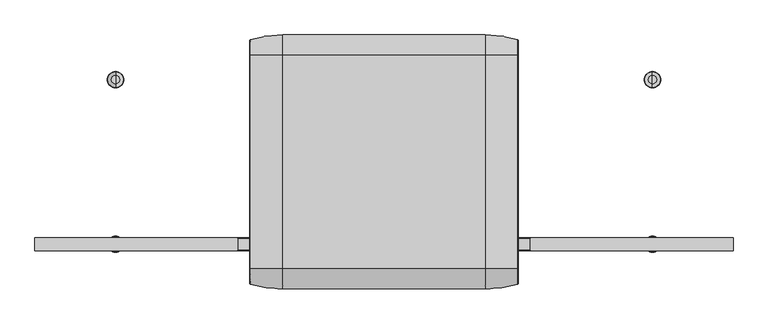
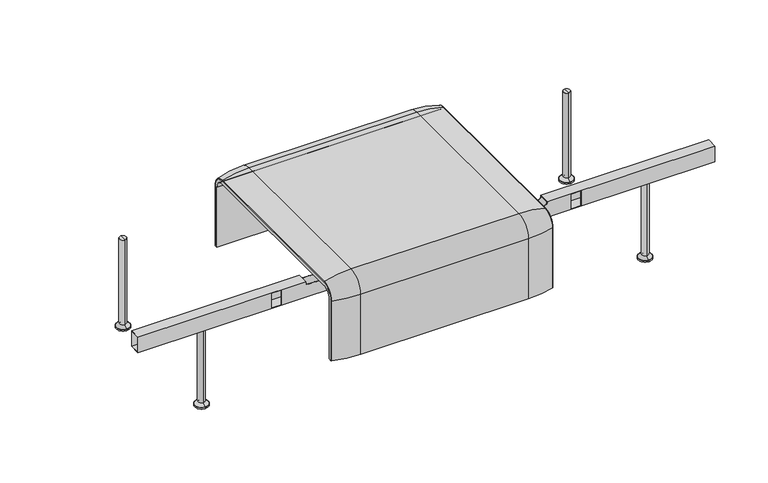
"""IFC4 building model written with IfcOpenShell, lengths in millimetres: furniture geometry."""

from ifc_helpers import new_model, si_unit, point, frame, origin, place, context, project, spatial, polyline, circle_curve, ellipse_curve, trimmed, source, transform, mapped, element, save
from ifc_brep_helpers import plane_surface, cylinder_surface, revolved_surface, advanced_brep


def furniture_3e78f5ab(model_context):
    return source(origin(), model_context, "Body", "AdvancedBrep", [
        advanced_brep(
        [(-407.9906244, -368.7793679, 100.5089435), (-407.9906244, -357.5, 100.5089435), (407.9906244, -357.5, 100.5089435), (407.9906244, -368.7793679, 100.5089435), (405.8519959, -371.6530483, 100.5089435), (307.9906244, -386.0043559, 100.5089435), (-307.9906244, -386.0043559, 100.5089435), (-405.8519959, -371.6530483, 100.5089435), (-407.9906244, 368.7793679, 100.5089435), (-405.8519959, 371.6530483, 100.5089435), (-307.9906244, 386.0043559, 100.5089435), (307.9906244, 386.0043559, 100.5089435), (405.8519959, 371.6530483, 100.5089435), (407.9906244, 368.7793679, 100.5089435), (407.9906244, 357.5, 100.5089435), (-407.9906244, 357.5, 100.5089435), (-407.9906244, -368.7793679, 333.0583003), (-407.9906244, -324.3858663, 377.4518019), (-407.9906244, 324.3858663, 377.4518019), (-407.9906244, 368.7793679, 333.0583003), (-407.9906244, 357.5, 333.0583003), (-407.9906244, 324.3858663, 366.172434), (-407.9906244, -324.3858663, 366.172434), (-407.9906244, -357.5, 333.0583003), (407.9906244, -357.5, 333.0583003), (307.9906244, -386.0043559, 333.0583003), (-307.9906244, -386.0043559, 333.0583003), (-405.8519959, -371.6530483, 333.0583003), (407.9906244, -324.3858663, 366.172434), (-307.9906244, -324.3858663, 394.67679), (307.9906244, -324.3858663, 394.67679), (-405.8519959, -324.3858663, 380.3254823), (407.9906244, 324.3858663, 366.172434), (307.9906244, 324.3858663, 394.67679), (-307.9906244, 324.3858663, 394.67679), (-405.8519959, 324.3858663, 380.3254823), (407.9906244, 357.5, 333.0583003), (-307.9906244, 386.0043559, 333.0583003), (307.9906244, 386.0043559, 333.0583003), (-405.8519959, 371.6530483, 333.0583003), (407.9906244, 368.7793679, 333.0583003), (407.9906244, 324.3858663, 377.4518019), (407.9906244, -324.3858663, 377.4518019), (407.9906244, -368.7793679, 333.0583003), (405.8519959, -371.6530483, 333.0583003), (405.8519959, -324.3858663, 380.3254823), (405.8519959, 324.3858663, 380.3254823), (405.8519959, 371.6530483, 333.0583003)],
        [
            (0, 1),
            (1, 2),
            (2, 3),
            (3, 4, circle_curve(frame((404.9906244, -368.7793679, 100.5089435), z_axis=(0.0, 0.0, -1.0), x_axis=(-1.0, 0.0, 0.0)), 3.0)),
            (4, 5, circle_curve(frame((307.9906244, -45.1710226, 100.5089435), z_axis=(0.0, 0.0, -1.0), x_axis=(0.0, 1.0, 0.0)), 340.8333333)),
            (5, 6),
            (6, 7, circle_curve(frame((-307.9906244, -45.1710226, 100.5089435), z_axis=(0.0, 0.0, -1.0), x_axis=(0.0, 1.0, 0.0)), 340.8333333)),
            (7, 0, circle_curve(frame((-404.9906244, -368.7793679, 100.5089435), z_axis=(0.0, 0.0, -1.0), x_axis=(1.0, 0.0, 0.0)), 3.0)),
            (8, 9, circle_curve(frame((-404.9906244, 368.7793679, 100.5089435), z_axis=(0.0, 0.0, -1.0), x_axis=(1.0, 0.0, 0.0)), 3.0)),
            (9, 10, circle_curve(frame((-307.9906244, 45.1710226, 100.5089435), z_axis=(0.0, 0.0, -1.0), x_axis=(0.0, -1.0, 0.0)), 340.8333333)),
            (10, 11),
            (11, 12, circle_curve(frame((307.9906244, 45.1710226, 100.5089435), z_axis=(0.0, 0.0, -1.0), x_axis=(0.0, -1.0, 0.0)), 340.8333333)),
            (12, 13, circle_curve(frame((404.9906244, 368.7793679, 100.5089435), z_axis=(0.0, 0.0, -1.0), x_axis=(-1.0, 0.0, 0.0)), 3.0)),
            (13, 14),
            (14, 15),
            (15, 8),
            (0, 16),
            (16, 17, circle_curve(frame((-407.9906244, -324.3858663, 333.0583003), z_axis=(-1.0, 0.0, 0.0), x_axis=(0.0, -1.0, 0.0)), 44.3935016)),
            (17, 18),
            (18, 19, circle_curve(frame((-407.9906244, 324.3858663, 333.0583003), z_axis=(-1.0, 0.0, 0.0), x_axis=(0.0, 0.0, 1.0)), 44.3935016)),
            (19, 8),
            (15, 20),
            (20, 21, circle_curve(frame((-407.9906244, 324.3858663, 333.0583003), z_axis=(1.0, 0.0, 0.0), x_axis=(0.0, 0.0, 1.0)), 33.1141337)),
            (21, 22),
            (22, 23, circle_curve(frame((-407.9906244, -324.3858663, 333.0583003), z_axis=(1.0, 0.0, 0.0), x_axis=(0.0, -1.0, 0.0)), 33.1141337)),
            (23, 1),
            (23, 24),
            (24, 2),
            (5, 25),
            (25, 26),
            (26, 6),
            (26, 27, circle_curve(frame((-307.9906244, -45.1710226, 333.0583003), z_axis=(0.0, 0.0, -1.0), x_axis=(0.0, 1.0, 0.0)), 340.8333333)),
            (27, 7),
            (27, 16, circle_curve(frame((-404.9906244, -368.7793679, 333.0583003), z_axis=(0.0, 0.0, -1.0), x_axis=(1.0, 0.0, 0.0)), 3.0)),
            (28, 24, circle_curve(frame((407.9906244, -324.3858663, 333.0583003), z_axis=(1.0, 0.0, 0.0), x_axis=(0.0, -1.0, 0.0)), 33.1141337)),
            (22, 28),
            (29, 26, circle_curve(frame((-307.9906244, -324.3858663, 333.0583003), z_axis=(1.0, 0.0, 0.0), x_axis=(0.0, -1.0, 0.0)), 61.6184897)),
            (25, 30, circle_curve(frame((307.9906244, -324.3858663, 333.0583003), z_axis=(-1.0, 0.0, 0.0), x_axis=(0.0, -1.0, 0.0)), 61.6184897)),
            (30, 29),
            (31, 27, circle_curve(frame((-405.8519959, -324.3858663, 333.0583003), z_axis=(1.0, 0.0, 0.0), x_axis=(0.0, -1.0, 0.0)), 47.267182)),
            (29, 31, circle_curve(frame((-307.9906244, -324.3858663, 53.8434566), z_axis=(0.0, -1.0, 0.0), x_axis=(0.0, 0.0, -1.0)), 340.8333333)),
            (31, 17, circle_curve(frame((-404.9906244, -324.3858663, 377.4518019), z_axis=(0.0, -1.0, 0.0), x_axis=(1.0, 0.0, 0.0)), 3.0)),
            (21, 32),
            (32, 28),
            (30, 33),
            (33, 34),
            (34, 29),
            (34, 35, circle_curve(frame((-307.9906244, 324.3858663, 53.8434566), z_axis=(0.0, -1.0, 0.0), x_axis=(0.0, 0.0, -1.0)), 340.8333333)),
            (35, 31),
            (35, 18, circle_curve(frame((-404.9906244, 324.3858663, 377.4518019), z_axis=(0.0, -1.0, 0.0), x_axis=(1.0, 0.0, 0.0)), 3.0)),
            (36, 32, circle_curve(frame((407.9906244, 324.3858663, 333.0583003), z_axis=(1.0, 0.0, 0.0), x_axis=(0.0, 0.0, 1.0)), 33.1141337)),
            (20, 36),
            (37, 34, circle_curve(frame((-307.9906244, 324.3858663, 333.0583003), z_axis=(1.0, 0.0, 0.0), x_axis=(0.0, 0.0, 1.0)), 61.6184897)),
            (33, 38, circle_curve(frame((307.9906244, 324.3858663, 333.0583003), z_axis=(-1.0, 0.0, 0.0), x_axis=(0.0, 0.0, 1.0)), 61.6184897)),
            (38, 37),
            (39, 35, circle_curve(frame((-405.8519959, 324.3858663, 333.0583003), z_axis=(1.0, 0.0, 0.0), x_axis=(0.0, 0.0, 1.0)), 47.267182)),
            (37, 39, circle_curve(frame((-307.9906244, 45.1710226, 333.0583003), z_axis=(0.0, 0.0, 1.0), x_axis=(0.0, -1.0, 0.0)), 340.8333333)),
            (39, 19, circle_curve(frame((-404.9906244, 368.7793679, 333.0583003), z_axis=(0.0, 0.0, 1.0), x_axis=(1.0, 0.0, 0.0)), 3.0)),
            (14, 36),
            (38, 11),
            (10, 37),
            (9, 39),
            (13, 40),
            (40, 41, circle_curve(frame((407.9906244, 324.3858663, 333.0583003), z_axis=(1.0, 0.0, 0.0), x_axis=(0.0, 0.0, 1.0)), 44.3935016)),
            (41, 42),
            (42, 43, circle_curve(frame((407.9906244, -324.3858663, 333.0583003), z_axis=(1.0, 0.0, 0.0), x_axis=(0.0, -1.0, 0.0)), 44.3935016)),
            (43, 3),
            (43, 44, circle_curve(frame((404.9906244, -368.7793679, 333.0583003), z_axis=(0.0, 0.0, -1.0), x_axis=(-1.0, 0.0, 0.0)), 3.0)),
            (44, 4),
            (44, 25, circle_curve(frame((307.9906244, -45.1710226, 333.0583003), z_axis=(0.0, 0.0, -1.0), x_axis=(0.0, 1.0, 0.0)), 340.8333333)),
            (45, 44, circle_curve(frame((405.8519959, -324.3858663, 333.0583003), z_axis=(1.0, 0.0, 0.0), x_axis=(0.0, -1.0, 0.0)), 47.267182)),
            (42, 45, circle_curve(frame((404.9906244, -324.3858663, 377.4518019), z_axis=(0.0, -1.0, 0.0), x_axis=(-1.0, 0.0, 0.0)), 3.0)),
            (45, 30, circle_curve(frame((307.9906244, -324.3858663, 53.8434566), z_axis=(0.0, -1.0, 0.0), x_axis=(0.0, 0.0, -1.0)), 340.8333333)),
            (41, 46, circle_curve(frame((404.9906244, 324.3858663, 377.4518019), z_axis=(0.0, -1.0, 0.0), x_axis=(-1.0, 0.0, 0.0)), 3.0)),
            (46, 45),
            (46, 33, circle_curve(frame((307.9906244, 324.3858663, 53.8434566), z_axis=(0.0, -1.0, 0.0), x_axis=(0.0, 0.0, -1.0)), 340.8333333)),
            (47, 46, circle_curve(frame((405.8519959, 324.3858663, 333.0583003), z_axis=(1.0, 0.0, 0.0), x_axis=(0.0, 0.0, 1.0)), 47.267182)),
            (40, 47, circle_curve(frame((404.9906244, 368.7793679, 333.0583003), z_axis=(0.0, 0.0, 1.0), x_axis=(-1.0, 0.0, 0.0)), 3.0)),
            (47, 38, circle_curve(frame((307.9906244, 45.1710226, 333.0583003), z_axis=(0.0, 0.0, 1.0), x_axis=(0.0, -1.0, 0.0)), 340.8333333)),
            (12, 47),
        ],
        [
            plane_surface(frame((-407.9906244, -357.5, 100.5089435), z_axis=(0.0, 0.0, -1.0), x_axis=(1.0, 0.0, 0.0))),
            plane_surface(frame((-407.9906244, 357.5, 100.5089435), z_axis=(0.0, 0.0, -1.0), x_axis=(1.0, 0.0, 0.0))),
            plane_surface(frame((-407.9906244, -368.7793679, 100.5089435), z_axis=(-1.0, 0.0, 0.0), x_axis=(0.0, 0.0, 1.0))),
            plane_surface(frame((-407.9906244, -357.5, 100.5089435), z_axis=(0.0, 1.0, 0.0), x_axis=(0.0, 0.0, 1.0))),
            plane_surface(frame((307.9906244, -386.0043559, 100.5089435), z_axis=(0.0, -1.0, 0.0), x_axis=(0.0, 0.0, 1.0))),
            cylinder_surface(frame((-307.9906244, -45.1710226, 100.5089435), z_axis=(0.0, 0.0, -1.0), x_axis=(0.0, 1.0, 0.0)), 340.8333333),
            cylinder_surface(frame((-404.9906244, -368.7793679, 100.5089435), z_axis=(0.0, 0.0, -1.0), x_axis=(1.0, 0.0, 0.0)), 3.0),
            revolved_surface(polyline([(-407.9906244, -357.5, 333.0583003), (407.9906244, -357.5, 333.0583003)]), (-407.9906244, -324.3858663, 333.0583003), (-1.0, 0.0, 0.0)),
            cylinder_surface(frame((-407.9906244, -324.3858663, 333.0583003), z_axis=(-1.0, 0.0, 0.0), x_axis=(0.0, -1.0, 0.0)), 61.6184897),
            revolved_surface(trimmed(ellipse_curve(frame((-307.9906244, -45.1710226, 333.0583003), z_axis=(0.0, 0.0, -1.0), x_axis=(0.0, 1.0, 0.0)), 340.8333333, 340.8333333), [point((-307.9906244, -386.0043559, 333.0583003))], [point((-405.8519959, -371.6530483, 333.0583003))], True, "CARTESIAN"), (-407.9906244, -324.3858663, 333.0583003), (-1.0, 0.0, 0.0)),
            revolved_surface(trimmed(ellipse_curve(frame((-404.9906244, -368.7793679, 333.0583003), z_axis=(0.0, 0.0, -1.0), x_axis=(1.0, 0.0, 0.0)), 3.0, 3.0), [point((-405.8519959, -371.6530483, 333.0583003))], [point((-407.9906244, -368.7793679, 333.0583003))], True, "CARTESIAN"), (-407.9906244, -324.3858663, 333.0583003), (-1.0, 0.0, 0.0)),
            plane_surface(frame((-407.9906244, -324.3858663, 366.172434), z_axis=(0.0, 0.0, -1.0), x_axis=(0.0, 1.0, 0.0))),
            plane_surface(frame((307.9906244, -324.3858663, 394.67679), z_axis=(0.0, 0.0, 1.0), x_axis=(0.0, 1.0, 0.0))),
            cylinder_surface(frame((-307.9906244, -324.3858663, 53.8434566), z_axis=(0.0, -1.0, 0.0), x_axis=(0.0, 0.0, -1.0)), 340.8333333),
            cylinder_surface(frame((-404.9906244, -324.3858663, 377.4518019), z_axis=(0.0, -1.0, 0.0), x_axis=(1.0, 0.0, 0.0)), 3.0),
            revolved_surface(polyline([(-407.9906244, 324.3858663, 366.17243399999995), (407.9906244, 324.3858663, 366.17243399999995)]), (-407.9906244, 324.3858663, 333.0583003), (-1.0, 0.0, 0.0)),
            cylinder_surface(frame((-407.9906244, 324.3858663, 333.0583003), z_axis=(-1.0, 0.0, 0.0), x_axis=(0.0, 0.0, 1.0)), 61.6184897),
            revolved_surface(trimmed(ellipse_curve(frame((-307.9906244, 324.3858663, 53.8434566), z_axis=(0.0, -1.0, 0.0), x_axis=(0.0, 0.0, -1.0)), 340.8333333, 340.8333333), [point((-307.9906244, 324.3858663, 394.67679))], [point((-405.8519959, 324.3858663, 380.3254823))], True, "CARTESIAN"), (-407.9906244, 324.3858663, 333.0583003), (-1.0, 0.0, 0.0)),
            revolved_surface(trimmed(ellipse_curve(frame((-404.9906244, 324.3858663, 377.4518019), z_axis=(0.0, -1.0, 0.0), x_axis=(1.0, 0.0, 0.0)), 3.0, 3.0), [point((-405.8519959, 324.3858663, 380.3254823))], [point((-407.9906244, 324.3858663, 377.4518019))], True, "CARTESIAN"), (-407.9906244, 324.3858663, 333.0583003), (-1.0, 0.0, 0.0)),
            plane_surface(frame((-407.9906244, 357.5, 333.0583003), z_axis=(0.0, -1.0, 0.0), x_axis=(0.0, 0.0, -1.0))),
            plane_surface(frame((307.9906244, 386.0043559, 333.0583003), z_axis=(0.0, 1.0, 0.0), x_axis=(0.0, 0.0, -1.0))),
            cylinder_surface(frame((-307.9906244, 45.1710226, 333.0583003), z_axis=(0.0, 0.0, 1.0), x_axis=(0.0, -1.0, 0.0)), 340.8333333),
            cylinder_surface(frame((-404.9906244, 368.7793679, 333.0583003), z_axis=(0.0, 0.0, 1.0), x_axis=(1.0, 0.0, 0.0)), 3.0),
            plane_surface(frame((407.9906244, -357.5, 100.5089435), z_axis=(1.0, 0.0, 0.0), x_axis=(0.0, 0.0, 1.0))),
            cylinder_surface(frame((404.9906244, -368.7793679, 100.5089435), z_axis=(0.0, 0.0, -1.0), x_axis=(-1.0, 0.0, 0.0)), 3.0),
            cylinder_surface(frame((307.9906244, -45.1710226, 100.5089435), z_axis=(0.0, 0.0, -1.0), x_axis=(0.0, 1.0, 0.0)), 340.8333333),
            revolved_surface(trimmed(ellipse_curve(frame((404.9906244, -368.7793679, 333.0583003), z_axis=(0.0, 0.0, -1.0), x_axis=(-1.0, 0.0, 0.0)), 3.0, 3.0), [point((407.9906244, -368.7793679, 333.0583003))], [point((405.8519959, -371.6530483, 333.0583003))], True, "CARTESIAN"), (-407.9906244, -324.3858663, 333.0583003), (-1.0, 0.0, 0.0)),
            revolved_surface(trimmed(ellipse_curve(frame((307.9906244, -45.1710226, 333.0583003), z_axis=(0.0, 0.0, -1.0), x_axis=(0.0, 1.0, 0.0)), 340.8333333, 340.8333333), [point((405.8519959, -371.6530483, 333.0583003))], [point((307.9906244, -386.0043559, 333.0583003))], True, "CARTESIAN"), (-407.9906244, -324.3858663, 333.0583003), (-1.0, 0.0, 0.0)),
            cylinder_surface(frame((404.9906244, -324.3858663, 377.4518019), z_axis=(0.0, -1.0, 0.0), x_axis=(-1.0, 0.0, 0.0)), 3.0),
            cylinder_surface(frame((307.9906244, -324.3858663, 53.8434566), z_axis=(0.0, -1.0, 0.0), x_axis=(0.0, 0.0, -1.0)), 340.8333333),
            revolved_surface(trimmed(ellipse_curve(frame((404.9906244, 324.3858663, 377.4518019), z_axis=(0.0, -1.0, 0.0), x_axis=(-1.0, 0.0, 0.0)), 3.0, 3.0), [point((407.9906244, 324.3858663, 377.4518019))], [point((405.8519959, 324.3858663, 380.3254823))], True, "CARTESIAN"), (-407.9906244, 324.3858663, 333.0583003), (-1.0, 0.0, 0.0)),
            revolved_surface(trimmed(ellipse_curve(frame((307.9906244, 324.3858663, 53.8434566), z_axis=(0.0, -1.0, 0.0), x_axis=(0.0, 0.0, -1.0)), 340.8333333, 340.8333333), [point((405.8519959, 324.3858663, 380.3254823))], [point((307.9906244, 324.3858663, 394.67679))], True, "CARTESIAN"), (-407.9906244, 324.3858663, 333.0583003), (-1.0, 0.0, 0.0)),
            cylinder_surface(frame((404.9906244, 368.7793679, 333.0583003), z_axis=(0.0, 0.0, 1.0), x_axis=(-1.0, 0.0, 0.0)), 3.0),
            cylinder_surface(frame((307.9906244, 45.1710226, 333.0583003), z_axis=(0.0, 0.0, 1.0), x_axis=(0.0, -1.0, 0.0)), 340.8333333),
        ],
        [
            (0, [[1, 2, 3, 4, 5, 6, 7, 8]]),
            (1, [[9, 10, 11, 12, 13, 14, 15, 16]]),
            (2, [[-1, 17, 18, 19, 20, 21, -16, 22, 23, 24, 25, 26]]),
            (3, [[-2, -26, 27, 28]]),
            (4, [[-6, 29, 30, 31]]),
            (5, [[-7, -31, 32, 33]]),
            (6, [[-8, -33, 34, -17]]),
            (7, [[35, -27, -25, 36]]),
            (8, [[37, -30, 38, 39]]),
            (9, [[40, -32, -37, 41]]),
            (10, [[-18, -34, -40, 42]]),
            (11, [[-36, -24, 43, 44]]),
            (12, [[-39, 45, 46, 47]]),
            (13, [[-41, -47, 48, 49]]),
            (14, [[-42, -49, 50, -19]]),
            (15, [[51, -43, -23, 52]]),
            (16, [[53, -46, 54, 55]]),
            (17, [[56, -48, -53, 57]]),
            (18, [[-20, -50, -56, 58]]),
            (19, [[-52, -22, -15, 59]]),
            (20, [[-55, 60, -11, 61]]),
            (21, [[-57, -61, -10, 62]]),
            (22, [[-58, -62, -9, -21]]),
            (23, [[-3, -28, -35, -44, -51, -59, -14, 63, 64, 65, 66, 67]]),
            (24, [[-4, -67, 68, 69]]),
            (25, [[-5, -69, 70, -29]]),
            (26, [[71, -68, -66, 72]]),
            (27, [[-38, -70, -71, 73]]),
            (28, [[-72, -65, 74, 75]]),
            (29, [[-73, -75, 76, -45]]),
            (30, [[77, -74, -64, 78]]),
            (31, [[-54, -76, -77, 79]]),
            (32, [[-78, -63, -13, 80]]),
            (33, [[-79, -80, -12, -60]]),
        ],
    ),
        advanced_brep(
        [(815.9812488, -250.0000031, 0.0), (815.9812488, -225.0000031, 0.0), (815.9812488, -275.0000031, 0.0), (815.9812488, -262.4715672, 344.8637637), (815.9812488, -237.5284391, 344.8637637), (815.9812488, -250.0000031, 344.8637637), (815.9812488, -262.4715672, 16.2604994), (815.9812488, -237.5284391, 16.2604994), (815.9812488, -273.2294713, 5.5025953), (815.9812488, -226.770535, 5.5025953), (815.9812488, -275.0000031, 5.5025953), (815.9812488, -225.0000031, 5.5025953)],
        [
            (0, 1),
            (1, 2, circle_curve(frame((815.9812488, -250.0000031, 0.0), z_axis=(0.0, 0.0, -1.0), x_axis=(0.0, 1.0, 0.0)), 25.0)),
            (2, 0),
            (2, 1, circle_curve(frame((815.9812488, -250.0000031, 0.0), z_axis=(0.0, 0.0, -1.0), x_axis=(0.0, 1.0, 0.0)), 25.0)),
            (3, 4, circle_curve(frame((815.9812488, -250.0000031, 344.8637637), z_axis=(0.0, 0.0, 1.0), x_axis=(0.0, 1.0, 0.0)), 12.471564)),
            (4, 5),
            (5, 3),
            (4, 3, circle_curve(frame((815.9812488, -250.0000031, 344.8637637), z_axis=(0.0, 0.0, 1.0), x_axis=(0.0, 1.0, 0.0)), 12.471564)),
            (6, 7, circle_curve(frame((815.9812488, -250.0000031, 16.2604994), z_axis=(0.0, 0.0, 1.0), x_axis=(0.0, 1.0, 0.0)), 12.471564)),
            (7, 4),
            (3, 6),
            (7, 6, circle_curve(frame((815.9812488, -250.0000031, 16.2604994), z_axis=(0.0, 0.0, 1.0), x_axis=(0.0, 1.0, 0.0)), 12.471564)),
            (8, 9, circle_curve(frame((815.9812488, -250.0000031, 5.5025953), z_axis=(0.0, 0.0, 1.0), x_axis=(0.0, 1.0, 0.0)), 23.2294681)),
            (9, 7, circle_curve(frame((815.9812488, -226.770535, 16.2604994), z_axis=(-1.0, 0.0, 0.0), x_axis=(0.0, 1.0, 0.0)), 10.7579041)),
            (6, 8, circle_curve(frame((815.9812488, -273.2294713, 16.2604994), z_axis=(-1.0, 0.0, 0.0), x_axis=(0.0, -1.0, 0.0)), 10.7579041)),
            (9, 8, circle_curve(frame((815.9812488, -250.0000031, 5.5025953), z_axis=(0.0, 0.0, 1.0), x_axis=(0.0, 1.0, 0.0)), 23.2294681)),
            (10, 11, circle_curve(frame((815.9812488, -250.0000031, 5.5025953), z_axis=(0.0, 0.0, 1.0), x_axis=(0.0, 1.0, 0.0)), 25.0)),
            (11, 9),
            (8, 10),
            (11, 10, circle_curve(frame((815.9812488, -250.0000031, 5.5025953), z_axis=(0.0, 0.0, 1.0), x_axis=(0.0, 1.0, 0.0)), 25.0)),
            (1, 11),
            (10, 2),
        ],
        [
            plane_surface(frame((815.9812488, -250.0000031, 0.0), z_axis=(0.0, 0.0, -1.0), x_axis=(0.0, 1.0, 0.0))),
            plane_surface(frame((815.9812488, -250.0000031, 344.8637637), z_axis=(0.0, 0.0, 1.0), x_axis=(0.0, 1.0, 0.0))),
            cylinder_surface(frame((815.9812488, -250.0000031, 344.8637637), z_axis=(0.0, 0.0, -1.0), x_axis=(0.0, 1.0, 0.0)), 12.471564),
            revolved_surface(trimmed(ellipse_curve(frame((815.9812488, -226.770535, 16.2604994), z_axis=(1.0, 0.0, 0.0), x_axis=(0.0, 1.0, 0.0)), 10.7579041, 10.7579041), [point((815.9812488, -237.5284391, 16.2604994))], [point((815.9812488, -226.770535, 5.5025953))], True, "CARTESIAN"), (815.9812488, -250.0000031, 344.8637637), (0.0, 0.0, -1.0)),
            plane_surface(frame((815.9812488, -250.0000031, 5.5025953), z_axis=(0.0, 0.0, 1.0), x_axis=(0.0, 1.0, 0.0))),
            cylinder_surface(frame((815.9812488, -250.0000031, 344.8637637), z_axis=(0.0, 0.0, -1.0), x_axis=(0.0, 1.0, 0.0)), 25.0),
        ],
        [
            (0, [[1, 2, 3]]),
            (0, [[-3, 4, -1]]),
            (1, [[5, 6, 7]]),
            (1, [[8, -7, -6]]),
            (2, [[9, 10, -5, 11]]),
            (2, [[12, -11, -8, -10]]),
            (3, [[13, 14, -9, 15]]),
            (3, [[16, -15, -12, -14]]),
            (4, [[17, 18, -13, 19]]),
            (4, [[20, -19, -16, -18]]),
            (5, [[-2, 21, -17, 22]]),
            (5, [[-4, -22, -20, -21]]),
        ],
    ),
        advanced_brep(
        [(815.9812488, 275.0000031, 0.0), (815.9812488, 225.0000031, 0.0), (815.9812488, 250.0000031, 0.0), (815.9812488, 250.0000031, 344.8637637), (815.9812488, 237.5284391, 344.8637637), (815.9812488, 262.4715672, 344.8637637), (815.9812488, 237.5284391, 16.2604994), (815.9812488, 262.4715672, 16.2604994), (815.9812488, 226.770535, 5.5025953), (815.9812488, 273.2294713, 5.5025953), (815.9812488, 225.0000031, 5.5025953), (815.9812488, 275.0000031, 5.5025953)],
        [
            (0, 1, circle_curve(frame((815.9812488, 250.0000031, 0.0), z_axis=(0.0, 0.0, -1.0), x_axis=(0.0, -1.0, 0.0)), 25.0)),
            (1, 2),
            (2, 0),
            (1, 0, circle_curve(frame((815.9812488, 250.0000031, 0.0), z_axis=(0.0, 0.0, -1.0), x_axis=(0.0, -1.0, 0.0)), 25.0)),
            (3, 4),
            (4, 5, circle_curve(frame((815.9812488, 250.0000031, 344.8637637), z_axis=(0.0, 0.0, 1.0), x_axis=(0.0, -1.0, 0.0)), 12.471564)),
            (5, 3),
            (5, 4, circle_curve(frame((815.9812488, 250.0000031, 344.8637637), z_axis=(0.0, 0.0, 1.0), x_axis=(0.0, -1.0, 0.0)), 12.471564)),
            (4, 6),
            (6, 7, circle_curve(frame((815.9812488, 250.0000031, 16.2604994), z_axis=(0.0, 0.0, 1.0), x_axis=(0.0, -1.0, 0.0)), 12.471564)),
            (7, 5),
            (7, 6, circle_curve(frame((815.9812488, 250.0000031, 16.2604994), z_axis=(0.0, 0.0, 1.0), x_axis=(0.0, -1.0, 0.0)), 12.471564)),
            (6, 8, circle_curve(frame((815.9812488, 226.770535, 16.2604994), z_axis=(-1.0, 0.0, 0.0), x_axis=(0.0, -1.0, 0.0)), 10.7579041)),
            (8, 9, circle_curve(frame((815.9812488, 250.0000031, 5.5025953), z_axis=(0.0, 0.0, 1.0), x_axis=(0.0, -1.0, 0.0)), 23.2294681)),
            (9, 7, circle_curve(frame((815.9812488, 273.2294713, 16.2604994), z_axis=(-1.0, 0.0, 0.0), x_axis=(0.0, 1.0, 0.0)), 10.7579041)),
            (9, 8, circle_curve(frame((815.9812488, 250.0000031, 5.5025953), z_axis=(0.0, 0.0, 1.0), x_axis=(0.0, -1.0, 0.0)), 23.2294681)),
            (8, 10),
            (10, 11, circle_curve(frame((815.9812488, 250.0000031, 5.5025953), z_axis=(0.0, 0.0, 1.0), x_axis=(0.0, -1.0, 0.0)), 25.0)),
            (11, 9),
            (11, 10, circle_curve(frame((815.9812488, 250.0000031, 5.5025953), z_axis=(0.0, 0.0, 1.0), x_axis=(0.0, -1.0, 0.0)), 25.0)),
            (10, 1),
            (0, 11),
        ],
        [
            plane_surface(frame((815.9812488, 250.0000031, 0.0), z_axis=(0.0, 0.0, -1.0), x_axis=(0.0, -1.0, 0.0))),
            plane_surface(frame((815.9812488, 250.0000031, 344.8637637), z_axis=(0.0, 0.0, 1.0), x_axis=(0.0, -1.0, 0.0))),
            cylinder_surface(frame((815.9812488, 250.0000031, 344.8637637), z_axis=(0.0, 0.0, 1.0), x_axis=(0.0, -1.0, 0.0)), 12.471564),
            revolved_surface(trimmed(ellipse_curve(frame((815.9812488, 226.770535, 16.2604994), z_axis=(1.0, 0.0, 0.0), x_axis=(0.0, -1.0, 0.0)), 10.7579041, 10.7579041), [point((815.9812488, 226.770535, 5.5025953))], [point((815.9812488, 237.5284391, 16.2604994))], True, "CARTESIAN"), (815.9812488, 250.0000031, 344.8637637), (0.0, 0.0, 1.0)),
            plane_surface(frame((815.9812488, 250.0000031, 5.5025953), z_axis=(0.0, 0.0, 1.0), x_axis=(0.0, -1.0, 0.0))),
            cylinder_surface(frame((815.9812488, 250.0000031, 344.8637637), z_axis=(0.0, 0.0, 1.0), x_axis=(0.0, -1.0, 0.0)), 25.0),
        ],
        [
            (0, [[1, 2, 3]]),
            (0, [[4, -3, -2]]),
            (1, [[5, 6, 7]]),
            (1, [[-7, 8, -5]]),
            (2, [[-6, 9, 10, 11]]),
            (2, [[-8, -11, 12, -9]]),
            (3, [[-10, 13, 14, 15]]),
            (3, [[-12, -15, 16, -13]]),
            (4, [[-14, 17, 18, 19]]),
            (4, [[-16, -19, 20, -17]]),
            (5, [[-18, 21, -1, 22]]),
            (5, [[-20, -22, -4, -21]]),
        ],
    ),
        advanced_brep(
        [(-815.9812488, -275.0000031, 0.0), (-815.9812488, -225.0000031, 0.0), (-815.9812488, -250.0000031, 0.0), (-815.9812488, -250.0000031, 344.8637637), (-815.9812488, -237.5284391, 344.8637637), (-815.9812488, -262.4715672, 344.8637637), (-815.9812488, -237.5284391, 16.2604994), (-815.9812488, -262.4715672, 16.2604994), (-815.9812488, -226.770535, 5.5025953), (-815.9812488, -273.2294713, 5.5025953), (-815.9812488, -225.0000031, 5.5025953), (-815.9812488, -275.0000031, 5.5025953)],
        [
            (0, 1, circle_curve(frame((-815.9812488, -250.0000031, 0.0), z_axis=(0.0, 0.0, -1.0), x_axis=(0.0, 1.0, 0.0)), 25.0)),
            (1, 2),
            (2, 0),
            (1, 0, circle_curve(frame((-815.9812488, -250.0000031, 0.0), z_axis=(0.0, 0.0, -1.0), x_axis=(0.0, 1.0, 0.0)), 25.0)),
            (3, 4),
            (4, 5, circle_curve(frame((-815.9812488, -250.0000031, 344.8637637), z_axis=(0.0, 0.0, 1.0), x_axis=(0.0, 1.0, 0.0)), 12.471564)),
            (5, 3),
            (5, 4, circle_curve(frame((-815.9812488, -250.0000031, 344.8637637), z_axis=(0.0, 0.0, 1.0), x_axis=(0.0, 1.0, 0.0)), 12.471564)),
            (4, 6),
            (6, 7, circle_curve(frame((-815.9812488, -250.0000031, 16.2604994), z_axis=(0.0, 0.0, 1.0), x_axis=(0.0, 1.0, 0.0)), 12.471564)),
            (7, 5),
            (7, 6, circle_curve(frame((-815.9812488, -250.0000031, 16.2604994), z_axis=(0.0, 0.0, 1.0), x_axis=(0.0, 1.0, 0.0)), 12.471564)),
            (6, 8, circle_curve(frame((-815.9812488, -226.770535, 16.2604994), z_axis=(1.0, 0.0, 0.0), x_axis=(0.0, 1.0, 0.0)), 10.7579041)),
            (8, 9, circle_curve(frame((-815.9812488, -250.0000031, 5.5025953), z_axis=(0.0, 0.0, 1.0), x_axis=(0.0, 1.0, 0.0)), 23.2294681)),
            (9, 7, circle_curve(frame((-815.9812488, -273.2294713, 16.2604994), z_axis=(1.0, 0.0, 0.0), x_axis=(0.0, -1.0, 0.0)), 10.7579041)),
            (9, 8, circle_curve(frame((-815.9812488, -250.0000031, 5.5025953), z_axis=(0.0, 0.0, 1.0), x_axis=(0.0, 1.0, 0.0)), 23.2294681)),
            (8, 10),
            (10, 11, circle_curve(frame((-815.9812488, -250.0000031, 5.5025953), z_axis=(0.0, 0.0, 1.0), x_axis=(0.0, 1.0, 0.0)), 25.0)),
            (11, 9),
            (11, 10, circle_curve(frame((-815.9812488, -250.0000031, 5.5025953), z_axis=(0.0, 0.0, 1.0), x_axis=(0.0, 1.0, 0.0)), 25.0)),
            (10, 1),
            (0, 11),
        ],
        [
            plane_surface(frame((-815.9812488, -250.0000031, 0.0), z_axis=(0.0, 0.0, -1.0), x_axis=(0.0, 1.0, 0.0))),
            plane_surface(frame((-815.9812488, -250.0000031, 344.8637637), z_axis=(0.0, 0.0, 1.0), x_axis=(0.0, 1.0, 0.0))),
            cylinder_surface(frame((-815.9812488, -250.0000031, 344.8637637), z_axis=(0.0, 0.0, 1.0), x_axis=(0.0, 1.0, 0.0)), 12.471564),
            revolved_surface(trimmed(ellipse_curve(frame((-815.9812488, -226.770535, 16.2604994), z_axis=(-1.0, 0.0, 0.0), x_axis=(0.0, 1.0, 0.0)), 10.7579041, 10.7579041), [point((-815.9812488, -226.770535, 5.5025953))], [point((-815.9812488, -237.5284391, 16.2604994))], True, "CARTESIAN"), (-815.9812488, -250.0000031, 344.8637637), (0.0, 0.0, 1.0)),
            plane_surface(frame((-815.9812488, -250.0000031, 5.5025953), z_axis=(0.0, 0.0, 1.0), x_axis=(0.0, 1.0, 0.0))),
            cylinder_surface(frame((-815.9812488, -250.0000031, 344.8637637), z_axis=(0.0, 0.0, 1.0), x_axis=(0.0, 1.0, 0.0)), 25.0),
        ],
        [
            (0, [[1, 2, 3]]),
            (0, [[4, -3, -2]]),
            (1, [[5, 6, 7]]),
            (1, [[-7, 8, -5]]),
            (2, [[-6, 9, 10, 11]]),
            (2, [[-8, -11, 12, -9]]),
            (3, [[-10, 13, 14, 15]]),
            (3, [[-12, -15, 16, -13]]),
            (4, [[-14, 17, 18, 19]]),
            (4, [[-16, -19, 20, -17]]),
            (5, [[-18, 21, -1, 22]]),
            (5, [[-20, -22, -4, -21]]),
        ],
    ),
        advanced_brep(
        [(-815.9812488, 250.0000031, 0.0), (-815.9812488, 225.0000031, 0.0), (-815.9812488, 275.0000031, 0.0), (-815.9812488, 262.4715672, 344.8637637), (-815.9812488, 237.5284391, 344.8637637), (-815.9812488, 250.0000031, 344.8637637), (-815.9812488, 262.4715672, 16.2604994), (-815.9812488, 237.5284391, 16.2604994), (-815.9812488, 273.2294713, 5.5025953), (-815.9812488, 226.770535, 5.5025953), (-815.9812488, 275.0000031, 5.5025953), (-815.9812488, 225.0000031, 5.5025953)],
        [
            (0, 1),
            (1, 2, circle_curve(frame((-815.9812488, 250.0000031, 0.0), z_axis=(0.0, 0.0, -1.0), x_axis=(0.0, -1.0, 0.0)), 25.0)),
            (2, 0),
            (2, 1, circle_curve(frame((-815.9812488, 250.0000031, 0.0), z_axis=(0.0, 0.0, -1.0), x_axis=(0.0, -1.0, 0.0)), 25.0)),
            (3, 4, circle_curve(frame((-815.9812488, 250.0000031, 344.8637637), z_axis=(0.0, 0.0, 1.0), x_axis=(0.0, -1.0, 0.0)), 12.471564)),
            (4, 5),
            (5, 3),
            (4, 3, circle_curve(frame((-815.9812488, 250.0000031, 344.8637637), z_axis=(0.0, 0.0, 1.0), x_axis=(0.0, -1.0, 0.0)), 12.471564)),
            (6, 7, circle_curve(frame((-815.9812488, 250.0000031, 16.2604994), z_axis=(0.0, 0.0, 1.0), x_axis=(0.0, -1.0, 0.0)), 12.471564)),
            (7, 4),
            (3, 6),
            (7, 6, circle_curve(frame((-815.9812488, 250.0000031, 16.2604994), z_axis=(0.0, 0.0, 1.0), x_axis=(0.0, -1.0, 0.0)), 12.471564)),
            (8, 9, circle_curve(frame((-815.9812488, 250.0000031, 5.5025953), z_axis=(0.0, 0.0, 1.0), x_axis=(0.0, -1.0, 0.0)), 23.2294681)),
            (9, 7, circle_curve(frame((-815.9812488, 226.770535, 16.2604994), z_axis=(1.0, 0.0, 0.0), x_axis=(0.0, -1.0, 0.0)), 10.7579041)),
            (6, 8, circle_curve(frame((-815.9812488, 273.2294713, 16.2604994), z_axis=(1.0, 0.0, 0.0), x_axis=(0.0, 1.0, 0.0)), 10.7579041)),
            (9, 8, circle_curve(frame((-815.9812488, 250.0000031, 5.5025953), z_axis=(0.0, 0.0, 1.0), x_axis=(0.0, -1.0, 0.0)), 23.2294681)),
            (10, 11, circle_curve(frame((-815.9812488, 250.0000031, 5.5025953), z_axis=(0.0, 0.0, 1.0), x_axis=(0.0, -1.0, 0.0)), 25.0)),
            (11, 9),
            (8, 10),
            (11, 10, circle_curve(frame((-815.9812488, 250.0000031, 5.5025953), z_axis=(0.0, 0.0, 1.0), x_axis=(0.0, -1.0, 0.0)), 25.0)),
            (1, 11),
            (10, 2),
        ],
        [
            plane_surface(frame((-815.9812488, 250.0000031, 0.0), z_axis=(0.0, 0.0, -1.0), x_axis=(0.0, -1.0, 0.0))),
            plane_surface(frame((-815.9812488, 250.0000031, 344.8637637), z_axis=(0.0, 0.0, 1.0), x_axis=(0.0, -1.0, 0.0))),
            cylinder_surface(frame((-815.9812488, 250.0000031, 344.8637637), z_axis=(0.0, 0.0, -1.0), x_axis=(0.0, -1.0, 0.0)), 12.471564),
            revolved_surface(trimmed(ellipse_curve(frame((-815.9812488, 226.770535, 16.2604994), z_axis=(-1.0, 0.0, 0.0), x_axis=(0.0, -1.0, 0.0)), 10.7579041, 10.7579041), [point((-815.9812488, 237.5284391, 16.2604994))], [point((-815.9812488, 226.770535, 5.5025953))], True, "CARTESIAN"), (-815.9812488, 250.0000031, 344.8637637), (0.0, 0.0, -1.0)),
            plane_surface(frame((-815.9812488, 250.0000031, 5.5025953), z_axis=(0.0, 0.0, 1.0), x_axis=(0.0, -1.0, 0.0))),
            cylinder_surface(frame((-815.9812488, 250.0000031, 344.8637637), z_axis=(0.0, 0.0, -1.0), x_axis=(0.0, -1.0, 0.0)), 25.0),
        ],
        [
            (0, [[1, 2, 3]]),
            (0, [[-3, 4, -1]]),
            (1, [[5, 6, 7]]),
            (1, [[8, -7, -6]]),
            (2, [[9, 10, -5, 11]]),
            (2, [[12, -11, -8, -10]]),
            (3, [[13, 14, -9, 15]]),
            (3, [[16, -15, -12, -14]]),
            (4, [[17, 18, -13, 19]]),
            (4, [[20, -19, -16, -18]]),
            (5, [[-2, 21, -17, 22]]),
            (5, [[-4, -22, -20, -21]]),
        ],
    ),
        advanced_brep(
        [(-407.9906244, -230.0000056, 346.6346058), (-407.9906244, -232.0000018, 346.6346058), (-381.9939756, -232.0000018, 346.6346058), (-381.9939756, -230.0000056, 346.6346058), (-407.9906244, -268.0000023, 346.6346058), (-407.9906244, -270.0000061, 346.6346058), (-381.9939756, -270.0000061, 346.6346058), (-381.9939756, -268.0000023, 346.6346058), (-371.9939756, -232.0000018, 356.6346058), (-371.9939756, -230.0000056, 356.6346058), (-371.9939756, -270.0000061, 356.6346058), (-371.9939756, -268.0000023, 356.6346058), (-371.9939756, -232.0000018, 357.9224338), (-371.9939756, -268.0000023, 357.9224338), (-371.9939756, -270.0000061, 359.922434), (-371.9939756, -230.0000056, 359.922434), (-443.9872732, -232.0000018, 356.6346058), (-443.9872732, -230.0000056, 356.6346058), (-443.9872732, -230.0000056, 359.922434), (-443.9872732, -270.0000061, 359.922434), (-443.9872732, -270.0000061, 356.6346058), (-443.9872732, -268.0000023, 356.6346058), (-443.9872732, -268.0000023, 357.9224338), (-443.9872732, -232.0000018, 357.9224338), (-433.9872732, -230.0000056, 346.6346058), (-433.9872732, -232.0000018, 346.6346058), (-433.9872732, -268.0000023, 346.6346058), (-433.9872732, -270.0000061, 346.6346058), (1060.9822296, -230.0000056, 359.922434), (1060.9822296, -270.0000061, 359.922434), (1060.9822296, -270.0000061, 299.9223263), (1060.9822296, -230.0000056, 299.9223263), (1060.9822296, -268.0000023, 301.9086098), (1060.9822296, -268.0000023, 357.9224338), (1060.9822296, -232.0000018, 357.9224338), (1060.9822296, -232.0000018, 301.9086098), (-1060.9822296, -230.0000056, 359.922434), (-1060.9822296, -230.0000056, 299.9223263), (-1060.9822296, -270.0000061, 299.9223263), (-1060.9822296, -270.0000061, 359.922434), (-1060.9822296, -268.0000023, 301.9086098), (-1060.9822296, -232.0000018, 301.9086098), (-1060.9822296, -232.0000018, 357.9224338), (-1060.9822296, -268.0000023, 357.9224338), (371.9939756, -230.0000056, 359.922434), (371.9939756, -230.0000056, 356.6346058), (381.9939756, -230.0000056, 346.6346058), (407.9906244, -230.0000056, 346.6346058), (433.9872732, -230.0000056, 346.6346058), (443.9872732, -230.0000056, 356.6346058), (443.9872732, -230.0000056, 359.922434), (443.9872732, -270.0000061, 359.922434), (443.9872732, -270.0000061, 356.6346058), (433.9872732, -270.0000061, 346.6346058), (407.9906244, -270.0000061, 346.6346058), (381.9939756, -270.0000061, 346.6346058), (371.9939756, -270.0000061, 356.6346058), (371.9939756, -270.0000061, 359.922434), (-568.96075, -270.0000061, 357.9224338), (-532.9720684, -270.0000061, 357.9224338), (-532.9720684, -270.0000061, 301.9086098), (-568.96075, -270.0000061, 301.9086098), (-283.0091805, -270.0000061, 357.9224338), (-247.0204988, -270.0000061, 357.9224338), (-247.0204988, -270.0000061, 301.9086098), (-283.0091805, -270.0000061, 301.9086098), (247.0204988, -270.0000061, 357.9224338), (283.0091805, -270.0000061, 357.9224338), (283.0091805, -270.0000061, 301.9086098), (247.0204988, -270.0000061, 301.9086098), (532.9720684, -270.0000061, 357.9224338), (568.96075, -270.0000061, 357.9224338), (568.96075, -270.0000061, 301.9086098), (532.9720684, -270.0000061, 301.9086098), (-568.96075, -268.0000023, 301.9086098), (-532.9720684, -268.0000023, 301.9086098), (-283.0091805, -268.0000023, 301.9086098), (-247.0204988, -268.0000023, 301.9086098), (247.0204988, -268.0000023, 301.9086098), (283.0091805, -268.0000023, 301.9086098), (532.9720684, -268.0000023, 301.9086098), (568.96075, -268.0000023, 301.9086098), (443.9872732, -232.0000018, 357.9224338), (443.9872732, -232.0000018, 356.6346058), (433.9872732, -232.0000018, 346.6346058), (407.9906244, -232.0000018, 346.6346058), (381.9939756, -232.0000018, 346.6346058), (371.9939756, -232.0000018, 356.6346058), (371.9939756, -232.0000018, 357.9224338), (568.96075, -268.0000023, 357.9224338), (532.9720684, -268.0000023, 357.9224338), (443.9872732, -268.0000023, 357.9224338), (-532.9720684, -268.0000023, 357.9224338), (-568.96075, -268.0000023, 357.9224338), (371.9939756, -268.0000023, 357.9224338), (283.0091805, -268.0000023, 357.9224338), (247.0204988, -268.0000023, 357.9224338), (-247.0204988, -268.0000023, 357.9224338), (-283.0091805, -268.0000023, 357.9224338), (407.9906244, -268.0000023, 346.6346058), (433.9872732, -268.0000023, 346.6346058), (443.9872732, -268.0000023, 356.6346058), (371.9939756, -268.0000023, 356.6346058), (381.9939756, -268.0000023, 346.6346058)],
        [
            (0, 1),
            (1, 2),
            (2, 3),
            (3, 0),
            (4, 5),
            (5, 6),
            (6, 7),
            (7, 4),
            (2, 8, circle_curve(frame((-381.9939756, -232.0000018, 356.6346058), z_axis=(0.0, -1.0, 0.0), x_axis=(-1.0, 0.0, 0.0)), 10.0)),
            (8, 9),
            (9, 3, circle_curve(frame((-381.9939756, -230.0000056, 356.6346058), z_axis=(0.0, 1.0, 0.0), x_axis=(-1.0, 0.0, 0.0)), 10.0)),
            (6, 10, circle_curve(frame((-381.9939756, -270.0000061, 356.6346058), z_axis=(0.0, -1.0, 0.0), x_axis=(-1.0, 0.0, 0.0)), 10.0)),
            (10, 11),
            (11, 7, circle_curve(frame((-381.9939756, -268.0000023, 356.6346058), z_axis=(0.0, 1.0, 0.0), x_axis=(-1.0, 0.0, 0.0)), 10.0)),
            (8, 12),
            (12, 13),
            (13, 11),
            (10, 14),
            (14, 15),
            (15, 9),
            (16, 17),
            (17, 18),
            (18, 19),
            (19, 20),
            (20, 21),
            (21, 22),
            (22, 23),
            (23, 16),
            (0, 24),
            (24, 25),
            (25, 1),
            (4, 26),
            (26, 27),
            (27, 5),
            (24, 17, circle_curve(frame((-433.9872732, -230.0000056, 356.6346058), z_axis=(0.0, 1.0, 0.0), x_axis=(1.0, 0.0, 0.0)), 10.0)),
            (16, 25, circle_curve(frame((-433.9872732, -232.0000018, 356.6346058), z_axis=(0.0, -1.0, 0.0), x_axis=(1.0, 0.0, 0.0)), 10.0)),
            (26, 21, circle_curve(frame((-433.9872732, -268.0000023, 356.6346058), z_axis=(0.0, 1.0, 0.0), x_axis=(1.0, 0.0, 0.0)), 10.0)),
            (20, 27, circle_curve(frame((-433.9872732, -270.0000061, 356.6346058), z_axis=(0.0, -1.0, 0.0), x_axis=(1.0, 0.0, 0.0)), 10.0)),
            (28, 29),
            (29, 30),
            (30, 31),
            (31, 28),
            (32, 33),
            (33, 34),
            (34, 35),
            (35, 32),
            (36, 37),
            (37, 38),
            (38, 39),
            (39, 36),
            (40, 41),
            (41, 42),
            (42, 43),
            (43, 40),
            (31, 37),
            (36, 18),
            (15, 44),
            (44, 45),
            (45, 46, circle_curve(frame((381.9939756, -230.0000056, 356.6346058), z_axis=(0.0, -1.0, 0.0), x_axis=(1.0, 0.0, 0.0)), 10.0)),
            (46, 47),
            (47, 48),
            (48, 49, circle_curve(frame((433.9872732, -230.0000056, 356.6346058), z_axis=(0.0, -1.0, 0.0), x_axis=(-1.0, 0.0, 0.0)), 10.0)),
            (49, 50),
            (50, 28),
            (30, 38),
            (29, 51),
            (51, 52),
            (52, 53, circle_curve(frame((433.9872732, -270.0000061, 356.6346058), z_axis=(0.0, 1.0, 0.0), x_axis=(-1.0, 0.0, 0.0)), 10.0)),
            (53, 54),
            (54, 55),
            (55, 56, circle_curve(frame((381.9939756, -270.0000061, 356.6346058), z_axis=(0.0, 1.0, 0.0), x_axis=(1.0, 0.0, 0.0)), 10.0)),
            (56, 57),
            (57, 14),
            (19, 39),
            (58, 59),
            (59, 60),
            (60, 61),
            (61, 58),
            (62, 63),
            (63, 64),
            (64, 65),
            (65, 62),
            (66, 67),
            (67, 68),
            (68, 69),
            (69, 66),
            (70, 71),
            (71, 72),
            (72, 73),
            (73, 70),
            (50, 51),
            (57, 44),
            (35, 41),
            (40, 74),
            (74, 61),
            (60, 75),
            (75, 76),
            (76, 65),
            (64, 77),
            (77, 78),
            (78, 69),
            (68, 79),
            (79, 80),
            (80, 73),
            (72, 81),
            (81, 32),
            (34, 82),
            (82, 83),
            (83, 84, circle_curve(frame((433.9872732, -232.0000018, 356.6346058), z_axis=(0.0, 1.0, 0.0), x_axis=(-1.0, 0.0, 0.0)), 10.0)),
            (84, 85),
            (85, 86),
            (86, 87, circle_curve(frame((381.9939756, -232.0000018, 356.6346058), z_axis=(0.0, 1.0, 0.0), x_axis=(1.0, 0.0, 0.0)), 10.0)),
            (87, 88),
            (88, 12),
            (23, 42),
            (33, 89),
            (89, 71),
            (70, 90),
            (90, 91),
            (91, 82),
            (22, 92),
            (92, 59),
            (58, 93),
            (93, 43),
            (88, 94),
            (94, 95),
            (95, 67),
            (66, 96),
            (96, 97),
            (97, 63),
            (62, 98),
            (98, 13),
            (81, 89),
            (93, 74),
            (98, 76),
            (75, 92),
            (77, 97),
            (96, 78),
            (99, 100),
            (100, 101, circle_curve(frame((433.9872732, -268.0000023, 356.6346058), z_axis=(0.0, -1.0, 0.0), x_axis=(-1.0, 0.0, 0.0)), 10.0)),
            (101, 91),
            (90, 80),
            (79, 95),
            (94, 102),
            (102, 103, circle_curve(frame((381.9939756, -268.0000023, 356.6346058), z_axis=(0.0, -1.0, 0.0), x_axis=(1.0, 0.0, 0.0)), 10.0)),
            (103, 99),
            (47, 85),
            (84, 48),
            (99, 54),
            (53, 100),
            (83, 49),
            (52, 101),
            (87, 45),
            (56, 102),
            (46, 86),
            (103, 55),
        ],
        [
            plane_surface(frame((-407.9906244, -287.5262628, 346.6346058), z_axis=(0.0, 0.0, 1.0), x_axis=(0.0, 1.0, 0.0))),
            revolved_surface(polyline([(-391.9939756, -232.0000018, 356.6346058), (-391.9939756, -230.00000560000007, 356.6346058)]), (-381.9939756, 314.3107458, 356.6346058), (0.0, -1.0, 0.0)),
            revolved_surface(polyline([(-391.9939756, -270.0000061, 356.6346058), (-391.9939756, -268.00000229999995, 356.6346058)]), (-381.9939756, 314.3107458, 356.6346058), (0.0, -1.0, 0.0)),
            plane_surface(frame((-371.9939756, -287.5262628, 356.6346058), z_axis=(-1.0, 0.0, 0.0), x_axis=(0.0, 1.0, 0.0))),
            plane_surface(frame((-443.9872732, -287.5262628, 378.869628), z_axis=(1.0, 0.0, 0.0), x_axis=(0.0, 1.0, 0.0))),
            plane_surface(frame((-433.9872732, -287.5262628, 346.6346058), z_axis=(0.0, 0.0, 1.0), x_axis=(0.0, 1.0, 0.0))),
            revolved_surface(polyline([(-423.9872732, -232.0000018, 356.6346058), (-423.9872732, -230.00000560000007, 356.6346058)]), (-433.9872732, 314.3107458, 356.6346058), (0.0, -1.0, 0.0)),
            revolved_surface(polyline([(-423.9872732, -270.0000061, 356.6346058), (-423.9872732, -268.00000229999995, 356.6346058)]), (-433.9872732, 314.3107458, 356.6346058), (0.0, -1.0, 0.0)),
            plane_surface(frame((1060.9822296, -270.0000061, 359.922434), z_axis=(1.0, 0.0, 0.0), x_axis=(0.0, -1.0, 0.0))),
            plane_surface(frame((-1060.9822296, -270.0000061, 359.922434), z_axis=(-1.0, 0.0, 0.0), x_axis=(0.0, 1.0, 0.0))),
            plane_surface(frame((1060.9822296, -230.0000056, 299.9223263), z_axis=(0.0, 1.0, 0.0), x_axis=(-1.0, 0.0, 0.0))),
            plane_surface(frame((1060.9822296, -270.0000061, 299.9223263), z_axis=(0.0, 0.0, -1.0), x_axis=(-1.0, 0.0, 0.0))),
            plane_surface(frame((1060.9822296, -270.0000061, 359.922434), z_axis=(0.0, -1.0, 0.0), x_axis=(-1.0, 0.0, 0.0))),
            plane_surface(frame((1060.9822296, -230.0000056, 359.922434), z_axis=(0.0, 0.0, 1.0), x_axis=(-1.0, 0.0, 0.0))),
            plane_surface(frame((1060.9822296, -232.0000018, 301.9086098), z_axis=(0.0, 0.0, 1.0), x_axis=(-1.0, 0.0, 0.0))),
            plane_surface(frame((1060.9822296, -232.0000018, 357.9224338), z_axis=(0.0, -1.0, 0.0), x_axis=(-1.0, 0.0, 0.0))),
            plane_surface(frame((1060.9822296, -268.0000023, 357.9224338), z_axis=(0.0, 0.0, -1.0), x_axis=(-1.0, 0.0, 0.0))),
            plane_surface(frame((1060.9822296, -268.0000023, 301.9086098), z_axis=(0.0, 1.0, 0.0), x_axis=(-1.0, 0.0, 0.0))),
            plane_surface(frame((-568.96075, -282.4008656, 357.9224338), z_axis=(1.0, 0.0, 0.0), x_axis=(0.0, 1.0, 0.0))),
            plane_surface(frame((-532.9720684, -282.4008656, 301.9086098), z_axis=(-1.0, 0.0, 0.0), x_axis=(0.0, 1.0, 0.0))),
            plane_surface(frame((-247.0204988, -282.4008656, 301.9086098), z_axis=(-1.0, 0.0, 0.0), x_axis=(0.0, 1.0, 0.0))),
            plane_surface(frame((-283.0091805, -282.4008656, 357.9224338), z_axis=(1.0, 0.0, 0.0), x_axis=(0.0, 1.0, 0.0))),
            plane_surface(frame((407.9906244, -287.5262628, 346.6346058), z_axis=(0.0, 0.0, 1.0), x_axis=(0.0, 1.0, 0.0))),
            revolved_surface(polyline([(423.9872732, -232.0000018, 356.6346058), (423.9872732, -230.00000560000007, 356.6346058)]), (433.9872732, 314.3107458, 356.6346058), (0.0, -1.0, 0.0)),
            revolved_surface(polyline([(423.9872732, -270.0000061, 356.6346058), (423.9872732, -268.00000229999995, 356.6346058)]), (433.9872732, 314.3107458, 356.6346058), (0.0, -1.0, 0.0)),
            plane_surface(frame((443.9872732, -287.5262628, 356.6346058), z_axis=(-1.0, 0.0, 0.0), x_axis=(0.0, 1.0, 0.0))),
            plane_surface(frame((371.9939756, -287.5262628, 378.869628), z_axis=(1.0, 0.0, 0.0), x_axis=(0.0, 1.0, 0.0))),
            plane_surface(frame((381.9939756, -287.5262628, 346.6346058), z_axis=(0.0, 0.0, 1.0), x_axis=(0.0, 1.0, 0.0))),
            revolved_surface(polyline([(391.9939756, -232.0000018, 356.6346058), (391.9939756, -230.00000560000007, 356.6346058)]), (381.9939756, 314.3107458, 356.6346058), (0.0, -1.0, 0.0)),
            revolved_surface(polyline([(391.9939756, -270.0000061, 356.6346058), (391.9939756, -268.00000229999995, 356.6346058)]), (381.9939756, 314.3107458, 356.6346058), (0.0, -1.0, 0.0)),
            plane_surface(frame((247.0204988, -282.4008656, 357.9224338), z_axis=(1.0, 0.0, 0.0), x_axis=(0.0, 1.0, 0.0))),
            plane_surface(frame((283.0091805, -282.4008656, 301.9086098), z_axis=(-1.0, 0.0, 0.0), x_axis=(0.0, 1.0, 0.0))),
            plane_surface(frame((568.96075, -282.4008656, 301.9086098), z_axis=(-1.0, 0.0, 0.0), x_axis=(0.0, 1.0, 0.0))),
            plane_surface(frame((532.9720684, -282.4008656, 357.9224338), z_axis=(1.0, 0.0, 0.0), x_axis=(0.0, 1.0, 0.0))),
        ],
        [
            (0, [[1, 2, 3, 4]]),
            (0, [[5, 6, 7, 8]]),
            (1, [[-3, 9, 10, 11]]),
            (2, [[-7, 12, 13, 14]]),
            (3, [[-10, 15, 16, 17, -13, 18, 19, 20]]),
            (4, [[21, 22, 23, 24, 25, 26, 27, 28]]),
            (5, [[-1, 29, 30, 31]]),
            (5, [[-5, 32, 33, 34]]),
            (6, [[-30, 35, -21, 36]]),
            (7, [[-33, 37, -25, 38]]),
            (8, [[39, 40, 41, 42], [43, 44, 45, 46]]),
            (9, [[47, 48, 49, 50], [51, 52, 53, 54]]),
            (10, [[-42, 55, -47, 56, -22, -35, -29, -4, -11, -20, 57, 58, 59, 60, 61, 62, 63, 64]]),
            (11, [[-41, 65, -48, -55]]),
            (12, [[-40, 66, 67, 68, 69, 70, 71, 72, 73, -18, -12, -6, -34, -38, -24, 74, -49, -65], [75, 76, 77, 78], [79, 80, 81, 82], [83, 84, 85, 86], [87, 88, 89, 90]]),
            (13, [[-39, -64, 91, -66]]),
            (13, [[-50, -74, -23, -56]]),
            (13, [[-19, -73, 92, -57]]),
            (14, [[-46, 93, -51, 94, 95, -77, 96, 97, 98, -81, 99, 100, 101, -85, 102, 103, 104, -89, 105, 106]]),
            (15, [[-45, 107, 108, 109, 110, 111, 112, 113, 114, -15, -9, -2, -31, -36, -28, 115, -52, -93]]),
            (16, [[-44, 116, 117, -87, 118, 119, 120, -107]]),
            (16, [[-53, -115, -27, 121, 122, -75, 123, 124]]),
            (16, [[-16, -114, 125, 126, 127, -83, 128, 129, 130, -79, 131, 132]]),
            (17, [[-43, -106, 133, -116]]),
            (17, [[-54, -124, 134, -94]]),
            (17, [[-8, -14, -17, -132, 135, -97, 136, -121, -26, -37, -32]]),
            (17, [[137, -129, 138, -100]]),
            (17, [[139, 140, 141, -119, 142, -103, 143, -126, 144, 145, 146]]),
            (18, [[-123, -78, -95, -134]]),
            (19, [[-122, -136, -96, -76]]),
            (20, [[-130, -137, -99, -80]]),
            (21, [[-98, -135, -131, -82]]),
            (22, [[147, -110, 148, -61]]),
            (22, [[149, -69, 150, -139]]),
            (23, [[-148, -109, 151, -62]]),
            (24, [[-150, -68, 152, -140]]),
            (25, [[-151, -108, -120, -141, -152, -67, -91, -63]]),
            (26, [[153, -58, -92, -72, 154, -144, -125, -113]]),
            (27, [[-147, -60, 155, -111]]),
            (27, [[-149, -146, 156, -70]]),
            (28, [[-155, -59, -153, -112]]),
            (29, [[-156, -145, -154, -71]]),
            (30, [[-128, -86, -101, -138]]),
            (31, [[-127, -143, -102, -84]]),
            (32, [[-117, -133, -105, -88]]),
            (33, [[-104, -142, -118, -90]]),
        ],
    ),
    ])


if __name__ == "__main__":
    model = new_model("IFC4")
    model_context = context("Model", 3, world=origin())
    ifc_project = project(units=[si_unit("LENGTHUNIT", "METRE", prefix="MILLI")], contexts=[model_context])
    site = spatial("IfcSite", under=ifc_project)
    building = spatial("IfcBuilding", under=site)
    placement = place(None, origin())
    furniture_shape = furniture_3e78f5ab(model_context)
    element("IfcFurniture", 1, at=placement, inside=building, context=model_context, shape_type="MappedRepresentation", body=[
        mapped(furniture_shape, transform((0.0, 0.0, 0.0), x_axis=(1.0, 0.0, 0.0), y_axis=(0.0, 1.0, 0.0), z_axis=(0.0, 0.0, 1.0))),
    ])
    save(model, "model.ifc")
